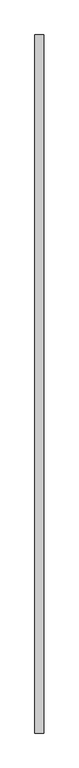
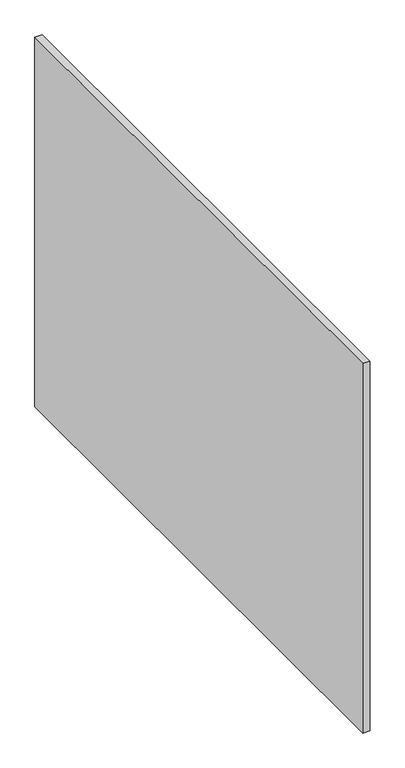
"""IFC4 building model written with IfcOpenShell, lengths in millimetres: proxy geometry."""

from ifc_helpers import new_model, si_unit, origin, origin_with_axes, place, context, project, spatial, polyline, outline, extrude, source, transform, mapped, element, save


def generic_models_97584e0f(model_context):
    return source(origin(), model_context, "Body", "SweptSolid", [
        extrude(outline(polyline([(40.0, -3200.0), (0.0, -3200.0), (0.0, 0.0), (40.0, 0.0), (40.0, -3200.0)])), origin_with_axes(), (0.0, 0.0, 1.0), 2200.0),
    ])


if __name__ == "__main__":
    model = new_model("IFC4")
    model_context = context("Model", 3, world=origin())
    ifc_project = project(units=[si_unit("LENGTHUNIT", "METRE", prefix="MILLI")], contexts=[model_context])
    site = spatial("IfcSite", under=ifc_project)
    building = spatial("IfcBuilding", under=site)
    placement = place(None, origin())
    generic_models_shape = generic_models_97584e0f(model_context)
    element("IfcBuildingElementProxy", 1, Name="Generic Models", at=placement, inside=building, context=model_context, shape_type="MappedRepresentation", body=[
        mapped(generic_models_shape, transform((0.0, 0.0, 0.0), x_axis=(1.0, 0.0, 0.0), y_axis=(0.0, 1.0, 0.0), z_axis=(0.0, 0.0, 1.0))),
    ])
    save(model, "model.ifc")
